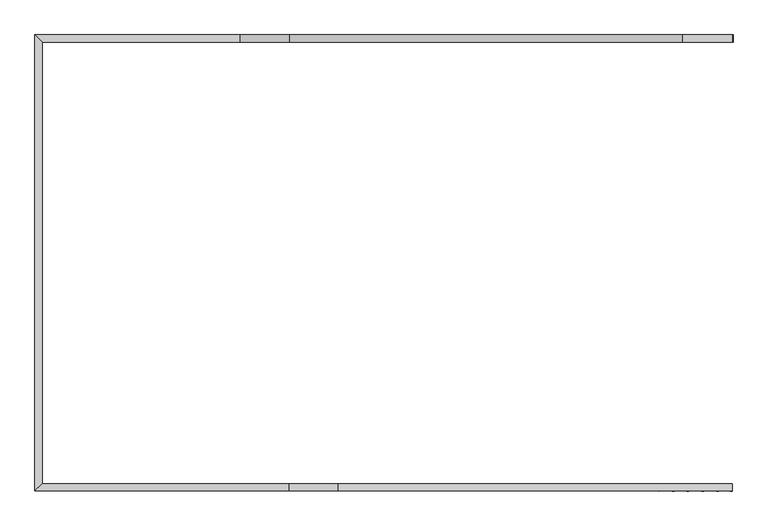
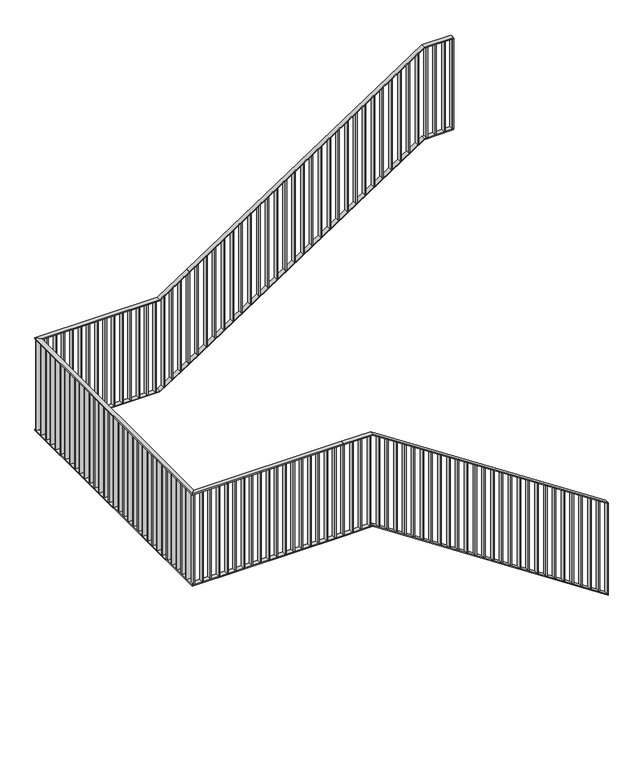
"""IFC4 building model written with IfcOpenShell, lengths in millimetres: railing geometry."""

from ifc_helpers import new_model, si_unit, frame, origin, place, context, project, spatial, polyline, outline, extrude, faceted_brep, source, transform, mapped, element, save


def railing_9ca5f06b(model_context):
    return source(origin(), model_context, "Body", "SolidModel", [
        faceted_brep([(14849.8504274, 7405.4, 1180.5555556), (14849.8504274, 7405.4, 1168.578147), (14849.8504274, 7445.4, 1168.578147), (14849.8504274, 7445.4, 1180.5555556), (12658.7393162, 7405.4, 2625.0), (12655.7397396, 7405.4, 2615.0), (12655.7397396, 7445.4, 2615.0), (12658.7393162, 7445.4, 2625.0), (12384.8504274, 7405.4, 2625.0), (12384.8504274, 7445.4, 2625.0), (12384.8504274, 7445.4, 2615.0), (12384.8504274, 7405.4, 2615.0)], [[[0, 1, 2, 3]], [[1, 0, 4, 5]], [[2, 1, 5, 6]], [[3, 2, 6, 7]], [[0, 3, 7, 4]], [[8, 9, 10, 11]], [[5, 4, 8, 11]], [[6, 5, 11, 10]], [[7, 6, 10, 9]], [[4, 7, 9, 8]]]),
        faceted_brep([(12384.8504274, 7405.4, 2625.0), (12384.8504274, 7405.4, 2615.0), (12384.8504274, 7445.4, 2615.0), (12384.8504274, 7445.4, 2625.0), (10971.3615385, 7405.4, 2625.0), (11011.3615385, 7445.4, 2625.0), (11011.3615385, 7445.4, 2615.0), (10971.3615385, 7405.4, 2615.0)], [[[0, 1, 2, 3]], [[4, 5, 6, 7]], [[1, 0, 4, 7]], [[2, 1, 7, 6]], [[3, 2, 6, 5]], [[0, 3, 5, 4]]]),
        faceted_brep([(10971.3615385, 7405.4, 2625.0), (10971.3615385, 7405.4, 2615.0), (11011.3615385, 7445.4, 2615.0), (11011.3615385, 7445.4, 2625.0), (10971.3615385, 9944.6, 2625.0), (11011.3615385, 9904.6, 2625.0), (11011.3615385, 9904.6, 2615.0), (10971.3615385, 9944.6, 2615.0)], [[[0, 1, 2, 3]], [[4, 5, 6, 7]], [[1, 0, 4, 7]], [[2, 1, 7, 6]], [[3, 2, 6, 5]], [[0, 3, 5, 4]]]),
        faceted_brep([(10971.3615385, 9944.6, 2625.0), (10971.3615385, 9944.6, 2615.0), (11011.3615385, 9904.6, 2615.0), (11011.3615385, 9904.6, 2625.0), (12110.9615385, 9944.6, 2625.0), (12113.9611151, 9944.6, 2615.0), (12113.9611151, 9904.6, 2615.0), (12110.9615385, 9904.6, 2625.0), (12384.8504274, 9944.6, 2805.5555556), (12384.8504274, 9904.6, 2805.5555556), (12390.3543659, 9904.6, 2797.2065041), (12390.3543659, 9944.6, 2797.2065041)], [[[0, 1, 2, 3]], [[1, 0, 4, 5]], [[2, 1, 5, 6]], [[3, 2, 6, 7]], [[0, 3, 7, 4]], [[8, 9, 10, 11]], [[5, 4, 8, 11]], [[6, 5, 11, 10]], [[7, 6, 10, 9]], [[4, 7, 9, 8]]]),
        faceted_brep([(12384.8504274, 9944.6, 2805.5555556), (12390.3543659, 9944.6, 2797.2065041), (12390.3543659, 9904.6, 2797.2065041), (12384.8504274, 9904.6, 2805.5555556), (14575.9615385, 9944.6, 4250.0), (14578.9611151, 9944.6, 4240.0), (14578.9611151, 9904.6, 4240.0), (14575.9615385, 9904.6, 4250.0), (14849.8504274, 9944.6, 4250.0), (14849.8504274, 9904.6, 4250.0), (14849.8504274, 9904.6, 4240.0), (14849.8504274, 9944.6, 4240.0)], [[[0, 1, 2, 3]], [[1, 0, 4, 5]], [[2, 1, 5, 6]], [[3, 2, 6, 7]], [[0, 3, 7, 4]], [[8, 9, 10, 11]], [[5, 4, 8, 11]], [[6, 5, 11, 10]], [[7, 6, 10, 9]], [[4, 7, 9, 8]]]),
        faceted_brep([(14849.8504274, 7405.4, 280.5555556), (14849.8504274, 7405.4, 268.578147), (14849.8504274, 7445.4, 268.578147), (14849.8504274, 7445.4, 280.5555556), (12658.7393162, 7405.4, 1725.0), (12655.7397396, 7405.4, 1715.0), (12655.7397396, 7445.4, 1715.0), (12658.7393162, 7445.4, 1725.0), (12384.8504274, 7405.4, 1725.0), (12384.8504274, 7445.4, 1725.0), (12384.8504274, 7445.4, 1715.0), (12384.8504274, 7405.4, 1715.0)], [[[0, 1, 2, 3]], [[1, 0, 4, 5]], [[2, 1, 5, 6]], [[3, 2, 6, 7]], [[0, 3, 7, 4]], [[8, 9, 10, 11]], [[5, 4, 8, 11]], [[6, 5, 11, 10]], [[7, 6, 10, 9]], [[4, 7, 9, 8]]]),
        faceted_brep([(12384.8504274, 7405.4, 1725.0), (12384.8504274, 7405.4, 1715.0), (12384.8504274, 7445.4, 1715.0), (12384.8504274, 7445.4, 1725.0), (10971.3615385, 7405.4, 1725.0), (11011.3615385, 7445.4, 1725.0), (11011.3615385, 7445.4, 1715.0), (10971.3615385, 7405.4, 1715.0)], [[[0, 1, 2, 3]], [[4, 5, 6, 7]], [[1, 0, 4, 7]], [[2, 1, 7, 6]], [[3, 2, 6, 5]], [[0, 3, 5, 4]]]),
        faceted_brep([(10971.3615385, 7405.4, 1725.0), (10971.3615385, 7405.4, 1715.0), (11011.3615385, 7445.4, 1715.0), (11011.3615385, 7445.4, 1725.0), (10971.3615385, 9944.6, 1725.0), (11011.3615385, 9904.6, 1725.0), (11011.3615385, 9904.6, 1715.0), (10971.3615385, 9944.6, 1715.0)], [[[0, 1, 2, 3]], [[4, 5, 6, 7]], [[1, 0, 4, 7]], [[2, 1, 7, 6]], [[3, 2, 6, 5]], [[0, 3, 5, 4]]]),
        faceted_brep([(10971.3615385, 9944.6, 1725.0), (10971.3615385, 9944.6, 1715.0), (11011.3615385, 9904.6, 1715.0), (11011.3615385, 9904.6, 1725.0), (12110.9615385, 9944.6, 1725.0), (12113.9611151, 9944.6, 1715.0), (12113.9611151, 9904.6, 1715.0), (12110.9615385, 9904.6, 1725.0), (12384.8504274, 9944.6, 1905.5555556), (12384.8504274, 9904.6, 1905.5555556), (12390.3543659, 9904.6, 1897.2065041), (12390.3543659, 9944.6, 1897.2065041)], [[[0, 1, 2, 3]], [[1, 0, 4, 5]], [[2, 1, 5, 6]], [[3, 2, 6, 7]], [[0, 3, 7, 4]], [[8, 9, 10, 11]], [[5, 4, 8, 11]], [[6, 5, 11, 10]], [[7, 6, 10, 9]], [[4, 7, 9, 8]]]),
        faceted_brep([(12384.8504274, 9944.6, 1905.5555556), (12390.3543659, 9944.6, 1897.2065041), (12390.3543659, 9904.6, 1897.2065041), (12384.8504274, 9904.6, 1905.5555556), (14575.9615385, 9944.6, 3350.0), (14578.9611151, 9944.6, 3340.0), (14578.9611151, 9904.6, 3340.0), (14575.9615385, 9904.6, 3350.0), (14849.8504274, 9944.6, 3350.0), (14849.8504274, 9904.6, 3350.0), (14849.8504274, 9904.6, 3340.0), (14849.8504274, 9944.6, 3340.0)], [[[0, 1, 2, 3]], [[1, 0, 4, 5]], [[2, 1, 5, 6]], [[3, 2, 6, 7]], [[0, 3, 7, 4]], [[8, 9, 10, 11]], [[5, 4, 8, 11]], [[6, 5, 11, 10]], [[7, 6, 10, 9]], [[4, 7, 9, 8]]]),
        extrude(outline(polyline([(14844.8504274, 9944.6), (14854.8504274, 9944.6), (14854.8504274, 9904.6), (14844.8504274, 9904.6), (14844.8504274, 9944.6)])), frame((0.0, 0.0, 3350.0), z_axis=(0.0, 0.0, 1.0), x_axis=(1.0, 0.0, 0.0)), (0.0, 0.0, 1.0), 890.0),
        extrude(outline(polyline([(14762.6837607, 9944.6), (14772.6837607, 9944.6), (14772.6837607, 9904.6), (14762.6837607, 9904.6), (14762.6837607, 9944.6)])), frame((0.0, 0.0, 3350.0), z_axis=(0.0, 0.0, 1.0), x_axis=(1.0, 0.0, 0.0)), (0.0, 0.0, 1.0), 890.0),
        extrude(outline(polyline([(14680.517094, 9944.6), (14690.517094, 9944.6), (14690.517094, 9904.6), (14680.517094, 9904.6), (14680.517094, 9944.6)])), frame((0.0, 0.0, 3350.0), z_axis=(0.0, 0.0, 1.0), x_axis=(1.0, 0.0, 0.0)), (0.0, 0.0, 1.0), 890.0),
        extrude(outline(polyline([(14598.3504274, 9944.6), (14608.3504274, 9944.6), (14608.3504274, 9904.6), (14598.3504274, 9904.6), (14598.3504274, 9944.6)])), frame((0.0, 0.0, 3350.0), z_axis=(0.0, 0.0, 1.0), x_axis=(1.0, 0.0, 0.0)), (0.0, 0.0, 1.0), 890.0),
        extrude(outline(polyline([(3310.5927428, 14516.1837607), (3317.1850349, 14526.1837607), (4207.1850349, 14526.1837607), (4200.5927428, 14516.1837607), (3310.5927428, 14516.1837607)])), frame((0.0, 9904.6, 0.0), z_axis=(0.0, 1.0, 0.0), x_axis=(0.0, 0.0, 1.0)), (0.0, 0.0, 1.0), 40.0),
        extrude(outline(polyline([(3256.4260762, 14434.017094), (3263.0183683, 14444.017094), (4153.0183683, 14444.017094), (4146.4260762, 14434.017094), (3256.4260762, 14434.017094)])), frame((0.0, 9904.6, 0.0), z_axis=(0.0, 1.0, 0.0), x_axis=(0.0, 0.0, 1.0)), (0.0, 0.0, 1.0), 40.0),
        extrude(outline(polyline([(3202.2594095, 14351.8504274), (3208.8517016, 14361.8504274), (4098.8517016, 14361.8504274), (4092.2594095, 14351.8504274), (3202.2594095, 14351.8504274)])), frame((0.0, 9904.6, 0.0), z_axis=(0.0, 1.0, 0.0), x_axis=(0.0, 0.0, 1.0)), (0.0, 0.0, 1.0), 40.0),
        extrude(outline(polyline([(3148.0927428, 14269.6837607), (3154.6850349, 14279.6837607), (4044.6850349, 14279.6837607), (4038.0927428, 14269.6837607), (3148.0927428, 14269.6837607)])), frame((0.0, 9904.6, 0.0), z_axis=(0.0, 1.0, 0.0), x_axis=(0.0, 0.0, 1.0)), (0.0, 0.0, 1.0), 40.0),
        extrude(outline(polyline([(3093.9260762, 14187.517094), (3100.5183683, 14197.517094), (3990.5183683, 14197.517094), (3983.9260762, 14187.517094), (3093.9260762, 14187.517094)])), frame((0.0, 9904.6, 0.0), z_axis=(0.0, 1.0, 0.0), x_axis=(0.0, 0.0, 1.0)), (0.0, 0.0, 1.0), 40.0),
        extrude(outline(polyline([(3039.7594095, 14105.3504274), (3046.3517016, 14115.3504274), (3936.3517016, 14115.3504274), (3929.7594095, 14105.3504274), (3039.7594095, 14105.3504274)])), frame((0.0, 9904.6, 0.0), z_axis=(0.0, 1.0, 0.0), x_axis=(0.0, 0.0, 1.0)), (0.0, 0.0, 1.0), 40.0),
        extrude(outline(polyline([(2985.5927428, 14023.1837607), (2992.1850349, 14033.1837607), (3882.1850349, 14033.1837607), (3875.5927428, 14023.1837607), (2985.5927428, 14023.1837607)])), frame((0.0, 9904.6, 0.0), z_axis=(0.0, 1.0, 0.0), x_axis=(0.0, 0.0, 1.0)), (0.0, 0.0, 1.0), 40.0),
        extrude(outline(polyline([(2931.4260762, 13941.017094), (2938.0183683, 13951.017094), (3828.0183683, 13951.017094), (3821.4260762, 13941.017094), (2931.4260762, 13941.017094)])), frame((0.0, 9904.6, 0.0), z_axis=(0.0, 1.0, 0.0), x_axis=(0.0, 0.0, 1.0)), (0.0, 0.0, 1.0), 40.0),
        extrude(outline(polyline([(2877.2594095, 13858.8504274), (2883.8517016, 13868.8504274), (3773.8517016, 13868.8504274), (3767.2594095, 13858.8504274), (2877.2594095, 13858.8504274)])), frame((0.0, 9904.6, 0.0), z_axis=(0.0, 1.0, 0.0), x_axis=(0.0, 0.0, 1.0)), (0.0, 0.0, 1.0), 40.0),
        extrude(outline(polyline([(2823.0927428, 13776.6837607), (2829.6850349, 13786.6837607), (3719.6850349, 13786.6837607), (3713.0927428, 13776.6837607), (2823.0927428, 13776.6837607)])), frame((0.0, 9904.6, 0.0), z_axis=(0.0, 1.0, 0.0), x_axis=(0.0, 0.0, 1.0)), (0.0, 0.0, 1.0), 40.0),
        extrude(outline(polyline([(2768.9260762, 13694.517094), (2775.5183683, 13704.517094), (3665.5183683, 13704.517094), (3658.9260762, 13694.517094), (2768.9260762, 13694.517094)])), frame((0.0, 9904.6, 0.0), z_axis=(0.0, 1.0, 0.0), x_axis=(0.0, 0.0, 1.0)), (0.0, 0.0, 1.0), 40.0),
        extrude(outline(polyline([(2714.7594095, 13612.3504274), (2721.3517016, 13622.3504274), (3611.3517016, 13622.3504274), (3604.7594095, 13612.3504274), (2714.7594095, 13612.3504274)])), frame((0.0, 9904.6, 0.0), z_axis=(0.0, 1.0, 0.0), x_axis=(0.0, 0.0, 1.0)), (0.0, 0.0, 1.0), 40.0),
        extrude(outline(polyline([(2660.5927428, 13530.1837607), (2667.1850349, 13540.1837607), (3557.1850349, 13540.1837607), (3550.5927428, 13530.1837607), (2660.5927428, 13530.1837607)])), frame((0.0, 9904.6, 0.0), z_axis=(0.0, 1.0, 0.0), x_axis=(0.0, 0.0, 1.0)), (0.0, 0.0, 1.0), 40.0),
        extrude(outline(polyline([(2606.4260762, 13448.017094), (2613.0183683, 13458.017094), (3503.0183683, 13458.017094), (3496.4260762, 13448.017094), (2606.4260762, 13448.017094)])), frame((0.0, 9904.6, 0.0), z_axis=(0.0, 1.0, 0.0), x_axis=(0.0, 0.0, 1.0)), (0.0, 0.0, 1.0), 40.0),
        extrude(outline(polyline([(2552.2594095, 13365.8504274), (2558.8517016, 13375.8504274), (3448.8517016, 13375.8504274), (3442.2594095, 13365.8504274), (2552.2594095, 13365.8504274)])), frame((0.0, 9904.6, 0.0), z_axis=(0.0, 1.0, 0.0), x_axis=(0.0, 0.0, 1.0)), (0.0, 0.0, 1.0), 40.0),
        extrude(outline(polyline([(2498.0927428, 13283.6837607), (2504.6850349, 13293.6837607), (3394.6850349, 13293.6837607), (3388.0927428, 13283.6837607), (2498.0927428, 13283.6837607)])), frame((0.0, 9904.6, 0.0), z_axis=(0.0, 1.0, 0.0), x_axis=(0.0, 0.0, 1.0)), (0.0, 0.0, 1.0), 40.0),
        extrude(outline(polyline([(2443.9260762, 13201.517094), (2450.5183683, 13211.517094), (3340.5183683, 13211.517094), (3333.9260762, 13201.517094), (2443.9260762, 13201.517094)])), frame((0.0, 9904.6, 0.0), z_axis=(0.0, 1.0, 0.0), x_axis=(0.0, 0.0, 1.0)), (0.0, 0.0, 1.0), 40.0),
        extrude(outline(polyline([(2389.7594095, 13119.3504274), (2396.3517016, 13129.3504274), (3286.3517016, 13129.3504274), (3279.7594095, 13119.3504274), (2389.7594095, 13119.3504274)])), frame((0.0, 9904.6, 0.0), z_axis=(0.0, 1.0, 0.0), x_axis=(0.0, 0.0, 1.0)), (0.0, 0.0, 1.0), 40.0),
        extrude(outline(polyline([(2335.5927428, 13037.1837607), (2342.1850349, 13047.1837607), (3232.1850349, 13047.1837607), (3225.5927428, 13037.1837607), (2335.5927428, 13037.1837607)])), frame((0.0, 9904.6, 0.0), z_axis=(0.0, 1.0, 0.0), x_axis=(0.0, 0.0, 1.0)), (0.0, 0.0, 1.0), 40.0),
        extrude(outline(polyline([(2281.4260762, 12955.017094), (2288.0183683, 12965.017094), (3178.0183683, 12965.017094), (3171.4260762, 12955.017094), (2281.4260762, 12955.017094)])), frame((0.0, 9904.6, 0.0), z_axis=(0.0, 1.0, 0.0), x_axis=(0.0, 0.0, 1.0)), (0.0, 0.0, 1.0), 40.0),
        extrude(outline(polyline([(2227.2594095, 12872.8504274), (2233.8517016, 12882.8504274), (3123.8517016, 12882.8504274), (3117.2594095, 12872.8504274), (2227.2594095, 12872.8504274)])), frame((0.0, 9904.6, 0.0), z_axis=(0.0, 1.0, 0.0), x_axis=(0.0, 0.0, 1.0)), (0.0, 0.0, 1.0), 40.0),
        extrude(outline(polyline([(2173.0927428, 12790.6837607), (2179.6850349, 12800.6837607), (3069.6850349, 12800.6837607), (3063.0927428, 12790.6837607), (2173.0927428, 12790.6837607)])), frame((0.0, 9904.6, 0.0), z_axis=(0.0, 1.0, 0.0), x_axis=(0.0, 0.0, 1.0)), (0.0, 0.0, 1.0), 40.0),
        extrude(outline(polyline([(2118.9260762, 12708.517094), (2125.5183683, 12718.517094), (3015.5183683, 12718.517094), (3008.9260762, 12708.517094), (2118.9260762, 12708.517094)])), frame((0.0, 9904.6, 0.0), z_axis=(0.0, 1.0, 0.0), x_axis=(0.0, 0.0, 1.0)), (0.0, 0.0, 1.0), 40.0),
        extrude(outline(polyline([(2064.7594095, 12626.3504274), (2071.3517016, 12636.3504274), (2961.3517016, 12636.3504274), (2954.7594095, 12626.3504274), (2064.7594095, 12626.3504274)])), frame((0.0, 9904.6, 0.0), z_axis=(0.0, 1.0, 0.0), x_axis=(0.0, 0.0, 1.0)), (0.0, 0.0, 1.0), 40.0),
        extrude(outline(polyline([(2010.5927428, 12544.1837607), (2017.1850349, 12554.1837607), (2907.1850349, 12554.1837607), (2900.5927428, 12544.1837607), (2010.5927428, 12544.1837607)])), frame((0.0, 9904.6, 0.0), z_axis=(0.0, 1.0, 0.0), x_axis=(0.0, 0.0, 1.0)), (0.0, 0.0, 1.0), 40.0),
        extrude(outline(polyline([(1956.4260762, 12462.017094), (1963.0183683, 12472.017094), (2853.0183683, 12472.017094), (2846.4260762, 12462.017094), (1956.4260762, 12462.017094)])), frame((0.0, 9904.6, 0.0), z_axis=(0.0, 1.0, 0.0), x_axis=(0.0, 0.0, 1.0)), (0.0, 0.0, 1.0), 40.0),
        extrude(outline(polyline([(1902.2594095, 12379.8504274), (1908.8517016, 12389.8504274), (2798.8517016, 12389.8504274), (2792.2594095, 12379.8504274), (1902.2594095, 12379.8504274)])), frame((0.0, 9904.6, 0.0), z_axis=(0.0, 1.0, 0.0), x_axis=(0.0, 0.0, 1.0)), (0.0, 0.0, 1.0), 40.0),
        extrude(outline(polyline([(1851.2244885, 12302.434378), (1857.8167806, 12312.434378), (2747.8167806, 12312.434378), (2741.2244885, 12302.434378), (1851.2244885, 12302.434378)])), frame((0.0, 9904.6, 0.0), z_axis=(0.0, 1.0, 0.0), x_axis=(0.0, 0.0, 1.0)), (0.0, 0.0, 1.0), 40.0),
        extrude(outline(polyline([(1800.1895675, 12225.0183286), (1806.7818596, 12235.0183286), (2696.7818596, 12235.0183286), (2690.1895675, 12225.0183286), (1800.1895675, 12225.0183286)])), frame((0.0, 9904.6, 0.0), z_axis=(0.0, 1.0, 0.0), x_axis=(0.0, 0.0, 1.0)), (0.0, 0.0, 1.0), 40.0),
        extrude(outline(polyline([(1749.1546465, 12147.6022792), (1755.7469386, 12157.6022792), (2645.7469386, 12157.6022792), (2639.1546465, 12147.6022792), (1749.1546465, 12147.6022792)])), frame((0.0, 9904.6, 0.0), z_axis=(0.0, 1.0, 0.0), x_axis=(0.0, 0.0, 1.0)), (0.0, 0.0, 1.0), 40.0),
        extrude(outline(polyline([(12070.1862298, 9944.6), (12080.1862298, 9944.6), (12080.1862298, 9904.6), (12070.1862298, 9904.6), (12070.1862298, 9944.6)])), frame((0.0, 0.0, 1725.0), z_axis=(0.0, 0.0, 1.0), x_axis=(1.0, 0.0, 0.0)), (0.0, 0.0, 1.0), 890.0),
        extrude(outline(polyline([(11992.7701804, 9944.6), (12002.7701804, 9944.6), (12002.7701804, 9904.6), (11992.7701804, 9904.6), (11992.7701804, 9944.6)])), frame((0.0, 0.0, 1725.0), z_axis=(0.0, 0.0, 1.0), x_axis=(1.0, 0.0, 0.0)), (0.0, 0.0, 1.0), 890.0),
        extrude(outline(polyline([(11915.3541311, 9944.6), (11925.3541311, 9944.6), (11925.3541311, 9904.6), (11915.3541311, 9904.6), (11915.3541311, 9944.6)])), frame((0.0, 0.0, 1725.0), z_axis=(0.0, 0.0, 1.0), x_axis=(1.0, 0.0, 0.0)), (0.0, 0.0, 1.0), 890.0),
        extrude(outline(polyline([(11837.9380817, 9944.6), (11847.9380817, 9944.6), (11847.9380817, 9904.6), (11837.9380817, 9904.6), (11837.9380817, 9944.6)])), frame((0.0, 0.0, 1725.0), z_axis=(0.0, 0.0, 1.0), x_axis=(1.0, 0.0, 0.0)), (0.0, 0.0, 1.0), 890.0),
        extrude(outline(polyline([(11760.5220323, 9944.6), (11770.5220323, 9944.6), (11770.5220323, 9904.6), (11760.5220323, 9904.6), (11760.5220323, 9944.6)])), frame((0.0, 0.0, 1725.0), z_axis=(0.0, 0.0, 1.0), x_axis=(1.0, 0.0, 0.0)), (0.0, 0.0, 1.0), 890.0),
        extrude(outline(polyline([(11683.1059829, 9944.6), (11693.1059829, 9944.6), (11693.1059829, 9904.6), (11683.1059829, 9904.6), (11683.1059829, 9944.6)])), frame((0.0, 0.0, 1725.0), z_axis=(0.0, 0.0, 1.0), x_axis=(1.0, 0.0, 0.0)), (0.0, 0.0, 1.0), 890.0),
        extrude(outline(polyline([(11605.6899335, 9944.6), (11615.6899335, 9944.6), (11615.6899335, 9904.6), (11605.6899335, 9904.6), (11605.6899335, 9944.6)])), frame((0.0, 0.0, 1725.0), z_axis=(0.0, 0.0, 1.0), x_axis=(1.0, 0.0, 0.0)), (0.0, 0.0, 1.0), 890.0),
        extrude(outline(polyline([(11528.2738841, 9944.6), (11538.2738841, 9944.6), (11538.2738841, 9904.6), (11528.2738841, 9904.6), (11528.2738841, 9944.6)])), frame((0.0, 0.0, 1725.0), z_axis=(0.0, 0.0, 1.0), x_axis=(1.0, 0.0, 0.0)), (0.0, 0.0, 1.0), 890.0),
        extrude(outline(polyline([(11450.8578348, 9944.6), (11460.8578348, 9944.6), (11460.8578348, 9904.6), (11450.8578348, 9904.6), (11450.8578348, 9944.6)])), frame((0.0, 0.0, 1725.0), z_axis=(0.0, 0.0, 1.0), x_axis=(1.0, 0.0, 0.0)), (0.0, 0.0, 1.0), 890.0),
        extrude(outline(polyline([(11373.4417854, 9944.6), (11383.4417854, 9944.6), (11383.4417854, 9904.6), (11373.4417854, 9904.6), (11373.4417854, 9944.6)])), frame((0.0, 0.0, 1725.0), z_axis=(0.0, 0.0, 1.0), x_axis=(1.0, 0.0, 0.0)), (0.0, 0.0, 1.0), 890.0),
        extrude(outline(polyline([(11296.025736, 9944.6), (11306.025736, 9944.6), (11306.025736, 9904.6), (11296.025736, 9904.6), (11296.025736, 9944.6)])), frame((0.0, 0.0, 1725.0), z_axis=(0.0, 0.0, 1.0), x_axis=(1.0, 0.0, 0.0)), (0.0, 0.0, 1.0), 890.0),
        extrude(outline(polyline([(11218.6096866, 9944.6), (11228.6096866, 9944.6), (11228.6096866, 9904.6), (11218.6096866, 9904.6), (11218.6096866, 9944.6)])), frame((0.0, 0.0, 1725.0), z_axis=(0.0, 0.0, 1.0), x_axis=(1.0, 0.0, 0.0)), (0.0, 0.0, 1.0), 890.0),
        extrude(outline(polyline([(11141.1936372, 9944.6), (11151.1936372, 9944.6), (11151.1936372, 9904.6), (11141.1936372, 9904.6), (11141.1936372, 9944.6)])), frame((0.0, 0.0, 1725.0), z_axis=(0.0, 0.0, 1.0), x_axis=(1.0, 0.0, 0.0)), (0.0, 0.0, 1.0), 890.0),
        extrude(outline(polyline([(11063.7775878, 9944.6), (11073.7775878, 9944.6), (11073.7775878, 9904.6), (11063.7775878, 9904.6), (11063.7775878, 9944.6)])), frame((0.0, 0.0, 1725.0), z_axis=(0.0, 0.0, 1.0), x_axis=(1.0, 0.0, 0.0)), (0.0, 0.0, 1.0), 890.0),
        extrude(outline(polyline([(10971.3615385, 9919.6), (10971.3615385, 9929.6), (11011.3615385, 9929.6), (11011.3615385, 9919.6), (10971.3615385, 9919.6)])), frame((0.0, 0.0, 1725.0), z_axis=(0.0, 0.0, 1.0), x_axis=(1.0, 0.0, 0.0)), (0.0, 0.0, 1.0), 890.0),
        extrude(outline(polyline([(10971.3615385, 9841.5), (10971.3615385, 9851.5), (11011.3615385, 9851.5), (11011.3615385, 9841.5), (10971.3615385, 9841.5)])), frame((0.0, 0.0, 1725.0), z_axis=(0.0, 0.0, 1.0), x_axis=(1.0, 0.0, 0.0)), (0.0, 0.0, 1.0), 890.0),
        extrude(outline(polyline([(10971.3615385, 9763.4), (10971.3615385, 9773.4), (11011.3615385, 9773.4), (11011.3615385, 9763.4), (10971.3615385, 9763.4)])), frame((0.0, 0.0, 1725.0), z_axis=(0.0, 0.0, 1.0), x_axis=(1.0, 0.0, 0.0)), (0.0, 0.0, 1.0), 890.0),
        extrude(outline(polyline([(10971.3615385, 9685.3), (10971.3615385, 9695.3), (11011.3615385, 9695.3), (11011.3615385, 9685.3), (10971.3615385, 9685.3)])), frame((0.0, 0.0, 1725.0), z_axis=(0.0, 0.0, 1.0), x_axis=(1.0, 0.0, 0.0)), (0.0, 0.0, 1.0), 890.0),
        extrude(outline(polyline([(10971.3615385, 9607.2), (10971.3615385, 9617.2), (11011.3615385, 9617.2), (11011.3615385, 9607.2), (10971.3615385, 9607.2)])), frame((0.0, 0.0, 1725.0), z_axis=(0.0, 0.0, 1.0), x_axis=(1.0, 0.0, 0.0)), (0.0, 0.0, 1.0), 890.0),
        extrude(outline(polyline([(10971.3615385, 9529.1), (10971.3615385, 9539.1), (11011.3615385, 9539.1), (11011.3615385, 9529.1), (10971.3615385, 9529.1)])), frame((0.0, 0.0, 1725.0), z_axis=(0.0, 0.0, 1.0), x_axis=(1.0, 0.0, 0.0)), (0.0, 0.0, 1.0), 890.0),
        extrude(outline(polyline([(10971.3615385, 9451.0), (10971.3615385, 9461.0), (11011.3615385, 9461.0), (11011.3615385, 9451.0), (10971.3615385, 9451.0)])), frame((0.0, 0.0, 1725.0), z_axis=(0.0, 0.0, 1.0), x_axis=(1.0, 0.0, 0.0)), (0.0, 0.0, 1.0), 890.0),
        extrude(outline(polyline([(10971.3615385, 9372.9), (10971.3615385, 9382.9), (11011.3615385, 9382.9), (11011.3615385, 9372.9), (10971.3615385, 9372.9)])), frame((0.0, 0.0, 1725.0), z_axis=(0.0, 0.0, 1.0), x_axis=(1.0, 0.0, 0.0)), (0.0, 0.0, 1.0), 890.0),
        extrude(outline(polyline([(10971.3615385, 9294.8), (10971.3615385, 9304.8), (11011.3615385, 9304.8), (11011.3615385, 9294.8), (10971.3615385, 9294.8)])), frame((0.0, 0.0, 1725.0), z_axis=(0.0, 0.0, 1.0), x_axis=(1.0, 0.0, 0.0)), (0.0, 0.0, 1.0), 890.0),
        extrude(outline(polyline([(10971.3615385, 9216.7), (10971.3615385, 9226.7), (11011.3615385, 9226.7), (11011.3615385, 9216.7), (10971.3615385, 9216.7)])), frame((0.0, 0.0, 1725.0), z_axis=(0.0, 0.0, 1.0), x_axis=(1.0, 0.0, 0.0)), (0.0, 0.0, 1.0), 890.0),
        extrude(outline(polyline([(10971.3615385, 9138.6), (10971.3615385, 9148.6), (11011.3615385, 9148.6), (11011.3615385, 9138.6), (10971.3615385, 9138.6)])), frame((0.0, 0.0, 1725.0), z_axis=(0.0, 0.0, 1.0), x_axis=(1.0, 0.0, 0.0)), (0.0, 0.0, 1.0), 890.0),
        extrude(outline(polyline([(10971.3615385, 9060.5), (10971.3615385, 9070.5), (11011.3615385, 9070.5), (11011.3615385, 9060.5), (10971.3615385, 9060.5)])), frame((0.0, 0.0, 1725.0), z_axis=(0.0, 0.0, 1.0), x_axis=(1.0, 0.0, 0.0)), (0.0, 0.0, 1.0), 890.0),
        extrude(outline(polyline([(10971.3615385, 8982.4), (10971.3615385, 8992.4), (11011.3615385, 8992.4), (11011.3615385, 8982.4), (10971.3615385, 8982.4)])), frame((0.0, 0.0, 1725.0), z_axis=(0.0, 0.0, 1.0), x_axis=(1.0, 0.0, 0.0)), (0.0, 0.0, 1.0), 890.0),
        extrude(outline(polyline([(10971.3615385, 8904.3), (10971.3615385, 8914.3), (11011.3615385, 8914.3), (11011.3615385, 8904.3), (10971.3615385, 8904.3)])), frame((0.0, 0.0, 1725.0), z_axis=(0.0, 0.0, 1.0), x_axis=(1.0, 0.0, 0.0)), (0.0, 0.0, 1.0), 890.0),
        extrude(outline(polyline([(10971.3615385, 8826.2), (10971.3615385, 8836.2), (11011.3615385, 8836.2), (11011.3615385, 8826.2), (10971.3615385, 8826.2)])), frame((0.0, 0.0, 1725.0), z_axis=(0.0, 0.0, 1.0), x_axis=(1.0, 0.0, 0.0)), (0.0, 0.0, 1.0), 890.0),
        extrude(outline(polyline([(10971.3615385, 8748.1), (10971.3615385, 8758.1), (11011.3615385, 8758.1), (11011.3615385, 8748.1), (10971.3615385, 8748.1)])), frame((0.0, 0.0, 1725.0), z_axis=(0.0, 0.0, 1.0), x_axis=(1.0, 0.0, 0.0)), (0.0, 0.0, 1.0), 890.0),
        extrude(outline(polyline([(10971.3615385, 8670.0), (10971.3615385, 8680.0), (11011.3615385, 8680.0), (11011.3615385, 8670.0), (10971.3615385, 8670.0)])), frame((0.0, 0.0, 1725.0), z_axis=(0.0, 0.0, 1.0), x_axis=(1.0, 0.0, 0.0)), (0.0, 0.0, 1.0), 890.0),
        extrude(outline(polyline([(10971.3615385, 8591.9), (10971.3615385, 8601.9), (11011.3615385, 8601.9), (11011.3615385, 8591.9), (10971.3615385, 8591.9)])), frame((0.0, 0.0, 1725.0), z_axis=(0.0, 0.0, 1.0), x_axis=(1.0, 0.0, 0.0)), (0.0, 0.0, 1.0), 890.0),
        extrude(outline(polyline([(10971.3615385, 8513.8), (10971.3615385, 8523.8), (11011.3615385, 8523.8), (11011.3615385, 8513.8), (10971.3615385, 8513.8)])), frame((0.0, 0.0, 1725.0), z_axis=(0.0, 0.0, 1.0), x_axis=(1.0, 0.0, 0.0)), (0.0, 0.0, 1.0), 890.0),
        extrude(outline(polyline([(10971.3615385, 8435.7), (10971.3615385, 8445.7), (11011.3615385, 8445.7), (11011.3615385, 8435.7), (10971.3615385, 8435.7)])), frame((0.0, 0.0, 1725.0), z_axis=(0.0, 0.0, 1.0), x_axis=(1.0, 0.0, 0.0)), (0.0, 0.0, 1.0), 890.0),
        extrude(outline(polyline([(10971.3615385, 8357.6), (10971.3615385, 8367.6), (11011.3615385, 8367.6), (11011.3615385, 8357.6), (10971.3615385, 8357.6)])), frame((0.0, 0.0, 1725.0), z_axis=(0.0, 0.0, 1.0), x_axis=(1.0, 0.0, 0.0)), (0.0, 0.0, 1.0), 890.0),
        extrude(outline(polyline([(10971.3615385, 8279.5), (10971.3615385, 8289.5), (11011.3615385, 8289.5), (11011.3615385, 8279.5), (10971.3615385, 8279.5)])), frame((0.0, 0.0, 1725.0), z_axis=(0.0, 0.0, 1.0), x_axis=(1.0, 0.0, 0.0)), (0.0, 0.0, 1.0), 890.0),
        extrude(outline(polyline([(10971.3615385, 8201.4), (10971.3615385, 8211.4), (11011.3615385, 8211.4), (11011.3615385, 8201.4), (10971.3615385, 8201.4)])), frame((0.0, 0.0, 1725.0), z_axis=(0.0, 0.0, 1.0), x_axis=(1.0, 0.0, 0.0)), (0.0, 0.0, 1.0), 890.0),
        extrude(outline(polyline([(10971.3615385, 8123.3), (10971.3615385, 8133.3), (11011.3615385, 8133.3), (11011.3615385, 8123.3), (10971.3615385, 8123.3)])), frame((0.0, 0.0, 1725.0), z_axis=(0.0, 0.0, 1.0), x_axis=(1.0, 0.0, 0.0)), (0.0, 0.0, 1.0), 890.0),
        extrude(outline(polyline([(10971.3615385, 8045.2), (10971.3615385, 8055.2), (11011.3615385, 8055.2), (11011.3615385, 8045.2), (10971.3615385, 8045.2)])), frame((0.0, 0.0, 1725.0), z_axis=(0.0, 0.0, 1.0), x_axis=(1.0, 0.0, 0.0)), (0.0, 0.0, 1.0), 890.0),
        extrude(outline(polyline([(10971.3615385, 7967.1), (10971.3615385, 7977.1), (11011.3615385, 7977.1), (11011.3615385, 7967.1), (10971.3615385, 7967.1)])), frame((0.0, 0.0, 1725.0), z_axis=(0.0, 0.0, 1.0), x_axis=(1.0, 0.0, 0.0)), (0.0, 0.0, 1.0), 890.0),
        extrude(outline(polyline([(10971.3615385, 7889.0), (10971.3615385, 7899.0), (11011.3615385, 7899.0), (11011.3615385, 7889.0), (10971.3615385, 7889.0)])), frame((0.0, 0.0, 1725.0), z_axis=(0.0, 0.0, 1.0), x_axis=(1.0, 0.0, 0.0)), (0.0, 0.0, 1.0), 890.0),
        extrude(outline(polyline([(10971.3615385, 7810.9), (10971.3615385, 7820.9), (11011.3615385, 7820.9), (11011.3615385, 7810.9), (10971.3615385, 7810.9)])), frame((0.0, 0.0, 1725.0), z_axis=(0.0, 0.0, 1.0), x_axis=(1.0, 0.0, 0.0)), (0.0, 0.0, 1.0), 890.0),
        extrude(outline(polyline([(10971.3615385, 7732.8), (10971.3615385, 7742.8), (11011.3615385, 7742.8), (11011.3615385, 7732.8), (10971.3615385, 7732.8)])), frame((0.0, 0.0, 1725.0), z_axis=(0.0, 0.0, 1.0), x_axis=(1.0, 0.0, 0.0)), (0.0, 0.0, 1.0), 890.0),
        extrude(outline(polyline([(10971.3615385, 7654.7), (10971.3615385, 7664.7), (11011.3615385, 7664.7), (11011.3615385, 7654.7), (10971.3615385, 7654.7)])), frame((0.0, 0.0, 1725.0), z_axis=(0.0, 0.0, 1.0), x_axis=(1.0, 0.0, 0.0)), (0.0, 0.0, 1.0), 890.0),
        extrude(outline(polyline([(10971.3615385, 7576.6), (10971.3615385, 7586.6), (11011.3615385, 7586.6), (11011.3615385, 7576.6), (10971.3615385, 7576.6)])), frame((0.0, 0.0, 1725.0), z_axis=(0.0, 0.0, 1.0), x_axis=(1.0, 0.0, 0.0)), (0.0, 0.0, 1.0), 890.0),
        extrude(outline(polyline([(10971.3615385, 7498.5), (10971.3615385, 7508.5), (11011.3615385, 7508.5), (11011.3615385, 7498.5), (10971.3615385, 7498.5)])), frame((0.0, 0.0, 1725.0), z_axis=(0.0, 0.0, 1.0), x_axis=(1.0, 0.0, 0.0)), (0.0, 0.0, 1.0), 890.0),
        extrude(outline(polyline([(10996.3615385, 7405.4), (10986.3615385, 7405.4), (10986.3615385, 7445.4), (10996.3615385, 7445.4), (10996.3615385, 7405.4)])), frame((0.0, 0.0, 1725.0), z_axis=(0.0, 0.0, 1.0), x_axis=(1.0, 0.0, 0.0)), (0.0, 0.0, 1.0), 890.0),
        extrude(outline(polyline([(11073.7775878, 7405.4), (11063.7775878, 7405.4), (11063.7775878, 7445.4), (11073.7775878, 7445.4), (11073.7775878, 7405.4)])), frame((0.0, 0.0, 1725.0), z_axis=(0.0, 0.0, 1.0), x_axis=(1.0, 0.0, 0.0)), (0.0, 0.0, 1.0), 890.0),
        extrude(outline(polyline([(11151.1936372, 7405.4), (11141.1936372, 7405.4), (11141.1936372, 7445.4), (11151.1936372, 7445.4), (11151.1936372, 7405.4)])), frame((0.0, 0.0, 1725.0), z_axis=(0.0, 0.0, 1.0), x_axis=(1.0, 0.0, 0.0)), (0.0, 0.0, 1.0), 890.0),
        extrude(outline(polyline([(11228.6096866, 7405.4), (11218.6096866, 7405.4), (11218.6096866, 7445.4), (11228.6096866, 7445.4), (11228.6096866, 7405.4)])), frame((0.0, 0.0, 1725.0), z_axis=(0.0, 0.0, 1.0), x_axis=(1.0, 0.0, 0.0)), (0.0, 0.0, 1.0), 890.0),
        extrude(outline(polyline([(11306.025736, 7405.4), (11296.025736, 7405.4), (11296.025736, 7445.4), (11306.025736, 7445.4), (11306.025736, 7405.4)])), frame((0.0, 0.0, 1725.0), z_axis=(0.0, 0.0, 1.0), x_axis=(1.0, 0.0, 0.0)), (0.0, 0.0, 1.0), 890.0),
        extrude(outline(polyline([(11383.4417854, 7405.4), (11373.4417854, 7405.4), (11373.4417854, 7445.4), (11383.4417854, 7445.4), (11383.4417854, 7405.4)])), frame((0.0, 0.0, 1725.0), z_axis=(0.0, 0.0, 1.0), x_axis=(1.0, 0.0, 0.0)), (0.0, 0.0, 1.0), 890.0),
        extrude(outline(polyline([(11460.8578348, 7405.4), (11450.8578348, 7405.4), (11450.8578348, 7445.4), (11460.8578348, 7445.4), (11460.8578348, 7405.4)])), frame((0.0, 0.0, 1725.0), z_axis=(0.0, 0.0, 1.0), x_axis=(1.0, 0.0, 0.0)), (0.0, 0.0, 1.0), 890.0),
        extrude(outline(polyline([(11538.2738841, 7405.4), (11528.2738841, 7405.4), (11528.2738841, 7445.4), (11538.2738841, 7445.4), (11538.2738841, 7405.4)])), frame((0.0, 0.0, 1725.0), z_axis=(0.0, 0.0, 1.0), x_axis=(1.0, 0.0, 0.0)), (0.0, 0.0, 1.0), 890.0),
        extrude(outline(polyline([(11615.6899335, 7405.4), (11605.6899335, 7405.4), (11605.6899335, 7445.4), (11615.6899335, 7445.4), (11615.6899335, 7405.4)])), frame((0.0, 0.0, 1725.0), z_axis=(0.0, 0.0, 1.0), x_axis=(1.0, 0.0, 0.0)), (0.0, 0.0, 1.0), 890.0),
        extrude(outline(polyline([(11693.1059829, 7405.4), (11683.1059829, 7405.4), (11683.1059829, 7445.4), (11693.1059829, 7445.4), (11693.1059829, 7405.4)])), frame((0.0, 0.0, 1725.0), z_axis=(0.0, 0.0, 1.0), x_axis=(1.0, 0.0, 0.0)), (0.0, 0.0, 1.0), 890.0),
        extrude(outline(polyline([(11770.5220323, 7405.4), (11760.5220323, 7405.4), (11760.5220323, 7445.4), (11770.5220323, 7445.4), (11770.5220323, 7405.4)])), frame((0.0, 0.0, 1725.0), z_axis=(0.0, 0.0, 1.0), x_axis=(1.0, 0.0, 0.0)), (0.0, 0.0, 1.0), 890.0),
        extrude(outline(polyline([(11847.9380817, 7405.4), (11837.9380817, 7405.4), (11837.9380817, 7445.4), (11847.9380817, 7445.4), (11847.9380817, 7405.4)])), frame((0.0, 0.0, 1725.0), z_axis=(0.0, 0.0, 1.0), x_axis=(1.0, 0.0, 0.0)), (0.0, 0.0, 1.0), 890.0),
        extrude(outline(polyline([(11925.3541311, 7405.4), (11915.3541311, 7405.4), (11915.3541311, 7445.4), (11925.3541311, 7445.4), (11925.3541311, 7405.4)])), frame((0.0, 0.0, 1725.0), z_axis=(0.0, 0.0, 1.0), x_axis=(1.0, 0.0, 0.0)), (0.0, 0.0, 1.0), 890.0),
        extrude(outline(polyline([(12002.7701804, 7405.4), (11992.7701804, 7405.4), (11992.7701804, 7445.4), (12002.7701804, 7445.4), (12002.7701804, 7405.4)])), frame((0.0, 0.0, 1725.0), z_axis=(0.0, 0.0, 1.0), x_axis=(1.0, 0.0, 0.0)), (0.0, 0.0, 1.0), 890.0),
        extrude(outline(polyline([(12080.1862298, 7405.4), (12070.1862298, 7405.4), (12070.1862298, 7445.4), (12080.1862298, 7445.4), (12080.1862298, 7405.4)])), frame((0.0, 0.0, 1725.0), z_axis=(0.0, 0.0, 1.0), x_axis=(1.0, 0.0, 0.0)), (0.0, 0.0, 1.0), 890.0),
        extrude(outline(polyline([(12157.6022792, 7405.4), (12147.6022792, 7405.4), (12147.6022792, 7445.4), (12157.6022792, 7445.4), (12157.6022792, 7405.4)])), frame((0.0, 0.0, 1725.0), z_axis=(0.0, 0.0, 1.0), x_axis=(1.0, 0.0, 0.0)), (0.0, 0.0, 1.0), 890.0),
        extrude(outline(polyline([(12235.0183286, 7405.4), (12225.0183286, 7405.4), (12225.0183286, 7445.4), (12235.0183286, 7445.4), (12235.0183286, 7405.4)])), frame((0.0, 0.0, 1725.0), z_axis=(0.0, 0.0, 1.0), x_axis=(1.0, 0.0, 0.0)), (0.0, 0.0, 1.0), 890.0),
        extrude(outline(polyline([(12312.434378, 7405.4), (12302.434378, 7405.4), (12302.434378, 7445.4), (12312.434378, 7445.4), (12312.434378, 7405.4)])), frame((0.0, 0.0, 1725.0), z_axis=(0.0, 0.0, 1.0), x_axis=(1.0, 0.0, 0.0)), (0.0, 0.0, 1.0), 890.0),
        extrude(outline(polyline([(12389.8504274, 7405.4), (12379.8504274, 7405.4), (12379.8504274, 7445.4), (12389.8504274, 7445.4), (12389.8504274, 7405.4)])), frame((0.0, 0.0, 1725.0), z_axis=(0.0, 0.0, 1.0), x_axis=(1.0, 0.0, 0.0)), (0.0, 0.0, 1.0), 890.0),
        extrude(outline(polyline([(12472.017094, 7405.4), (12462.017094, 7405.4), (12462.017094, 7445.4), (12472.017094, 7445.4), (12472.017094, 7405.4)])), frame((0.0, 0.0, 1725.0), z_axis=(0.0, 0.0, 1.0), x_axis=(1.0, 0.0, 0.0)), (0.0, 0.0, 1.0), 890.0),
        extrude(outline(polyline([(12554.1837607, 7405.4), (12544.1837607, 7405.4), (12544.1837607, 7445.4), (12554.1837607, 7445.4), (12554.1837607, 7405.4)])), frame((0.0, 0.0, 1725.0), z_axis=(0.0, 0.0, 1.0), x_axis=(1.0, 0.0, 0.0)), (0.0, 0.0, 1.0), 890.0),
        extrude(outline(polyline([(12636.3504274, 7405.4), (12626.3504274, 7405.4), (12626.3504274, 7445.4), (12636.3504274, 7445.4), (12636.3504274, 7405.4)])), frame((0.0, 0.0, 1725.0), z_axis=(0.0, 0.0, 1.0), x_axis=(1.0, 0.0, 0.0)), (0.0, 0.0, 1.0), 890.0),
        extrude(outline(polyline([(2575.5927428, 12718.517094), (2582.1850349, 12708.517094), (1692.1850349, 12708.517094), (1685.5927428, 12718.517094), (2575.5927428, 12718.517094)])), frame((0.0, 7405.4, 0.0), z_axis=(0.0, 1.0, 0.0), x_axis=(0.0, 0.0, 1.0)), (0.0, 0.0, 1.0), 40.0),
        extrude(outline(polyline([(2521.4260762, 12800.6837607), (2528.0183683, 12790.6837607), (1638.0183683, 12790.6837607), (1631.4260762, 12800.6837607), (2521.4260762, 12800.6837607)])), frame((0.0, 7405.4, 0.0), z_axis=(0.0, 1.0, 0.0), x_axis=(0.0, 0.0, 1.0)), (0.0, 0.0, 1.0), 40.0),
        extrude(outline(polyline([(2467.2594095, 12882.8504274), (2473.8517016, 12872.8504274), (1583.8517016, 12872.8504274), (1577.2594095, 12882.8504274), (2467.2594095, 12882.8504274)])), frame((0.0, 7405.4, 0.0), z_axis=(0.0, 1.0, 0.0), x_axis=(0.0, 0.0, 1.0)), (0.0, 0.0, 1.0), 40.0),
        extrude(outline(polyline([(2413.0927428, 12965.017094), (2419.6850349, 12955.017094), (1529.6850349, 12955.017094), (1523.0927428, 12965.017094), (2413.0927428, 12965.017094)])), frame((0.0, 7405.4, 0.0), z_axis=(0.0, 1.0, 0.0), x_axis=(0.0, 0.0, 1.0)), (0.0, 0.0, 1.0), 40.0),
        extrude(outline(polyline([(2358.9260762, 13047.1837607), (2365.5183683, 13037.1837607), (1475.5183683, 13037.1837607), (1468.9260762, 13047.1837607), (2358.9260762, 13047.1837607)])), frame((0.0, 7405.4, 0.0), z_axis=(0.0, 1.0, 0.0), x_axis=(0.0, 0.0, 1.0)), (0.0, 0.0, 1.0), 40.0),
        extrude(outline(polyline([(2304.7594095, 13129.3504274), (2311.3517016, 13119.3504274), (1421.3517016, 13119.3504274), (1414.7594095, 13129.3504274), (2304.7594095, 13129.3504274)])), frame((0.0, 7405.4, 0.0), z_axis=(0.0, 1.0, 0.0), x_axis=(0.0, 0.0, 1.0)), (0.0, 0.0, 1.0), 40.0),
        extrude(outline(polyline([(2250.5927428, 13211.517094), (2257.1850349, 13201.517094), (1367.1850349, 13201.517094), (1360.5927428, 13211.517094), (2250.5927428, 13211.517094)])), frame((0.0, 7405.4, 0.0), z_axis=(0.0, 1.0, 0.0), x_axis=(0.0, 0.0, 1.0)), (0.0, 0.0, 1.0), 40.0),
        extrude(outline(polyline([(2196.4260762, 13293.6837607), (2203.0183683, 13283.6837607), (1313.0183683, 13283.6837607), (1306.4260762, 13293.6837607), (2196.4260762, 13293.6837607)])), frame((0.0, 7405.4, 0.0), z_axis=(0.0, 1.0, 0.0), x_axis=(0.0, 0.0, 1.0)), (0.0, 0.0, 1.0), 40.0),
        extrude(outline(polyline([(2142.2594095, 13375.8504274), (2148.8517016, 13365.8504274), (1258.8517016, 13365.8504274), (1252.2594095, 13375.8504274), (2142.2594095, 13375.8504274)])), frame((0.0, 7405.4, 0.0), z_axis=(0.0, 1.0, 0.0), x_axis=(0.0, 0.0, 1.0)), (0.0, 0.0, 1.0), 40.0),
        extrude(outline(polyline([(2088.0927428, 13458.017094), (2094.6850349, 13448.017094), (1204.6850349, 13448.017094), (1198.0927428, 13458.017094), (2088.0927428, 13458.017094)])), frame((0.0, 7405.4, 0.0), z_axis=(0.0, 1.0, 0.0), x_axis=(0.0, 0.0, 1.0)), (0.0, 0.0, 1.0), 40.0),
        extrude(outline(polyline([(2033.9260762, 13540.1837607), (2040.5183683, 13530.1837607), (1150.5183683, 13530.1837607), (1143.9260762, 13540.1837607), (2033.9260762, 13540.1837607)])), frame((0.0, 7405.4, 0.0), z_axis=(0.0, 1.0, 0.0), x_axis=(0.0, 0.0, 1.0)), (0.0, 0.0, 1.0), 40.0),
        extrude(outline(polyline([(1979.7594095, 13622.3504274), (1986.3517016, 13612.3504274), (1096.3517016, 13612.3504274), (1089.7594095, 13622.3504274), (1979.7594095, 13622.3504274)])), frame((0.0, 7405.4, 0.0), z_axis=(0.0, 1.0, 0.0), x_axis=(0.0, 0.0, 1.0)), (0.0, 0.0, 1.0), 40.0),
        extrude(outline(polyline([(1925.5927428, 13704.517094), (1932.1850349, 13694.517094), (1042.1850349, 13694.517094), (1035.5927428, 13704.517094), (1925.5927428, 13704.517094)])), frame((0.0, 7405.4, 0.0), z_axis=(0.0, 1.0, 0.0), x_axis=(0.0, 0.0, 1.0)), (0.0, 0.0, 1.0), 40.0),
        extrude(outline(polyline([(1871.4260762, 13786.6837607), (1878.0183683, 13776.6837607), (988.0183683, 13776.6837607), (981.4260762, 13786.6837607), (1871.4260762, 13786.6837607)])), frame((0.0, 7405.4, 0.0), z_axis=(0.0, 1.0, 0.0), x_axis=(0.0, 0.0, 1.0)), (0.0, 0.0, 1.0), 40.0),
        extrude(outline(polyline([(1817.2594095, 13868.8504274), (1823.8517016, 13858.8504274), (933.8517016, 13858.8504274), (927.2594095, 13868.8504274), (1817.2594095, 13868.8504274)])), frame((0.0, 7405.4, 0.0), z_axis=(0.0, 1.0, 0.0), x_axis=(0.0, 0.0, 1.0)), (0.0, 0.0, 1.0), 40.0),
        extrude(outline(polyline([(1763.0927428, 13951.017094), (1769.6850349, 13941.017094), (879.6850349, 13941.017094), (873.0927428, 13951.017094), (1763.0927428, 13951.017094)])), frame((0.0, 7405.4, 0.0), z_axis=(0.0, 1.0, 0.0), x_axis=(0.0, 0.0, 1.0)), (0.0, 0.0, 1.0), 40.0),
        extrude(outline(polyline([(1708.9260762, 14033.1837607), (1715.5183683, 14023.1837607), (825.5183683, 14023.1837607), (818.9260762, 14033.1837607), (1708.9260762, 14033.1837607)])), frame((0.0, 7405.4, 0.0), z_axis=(0.0, 1.0, 0.0), x_axis=(0.0, 0.0, 1.0)), (0.0, 0.0, 1.0), 40.0),
        extrude(outline(polyline([(1654.7594095, 14115.3504274), (1661.3517016, 14105.3504274), (771.3517016, 14105.3504274), (764.7594095, 14115.3504274), (1654.7594095, 14115.3504274)])), frame((0.0, 7405.4, 0.0), z_axis=(0.0, 1.0, 0.0), x_axis=(0.0, 0.0, 1.0)), (0.0, 0.0, 1.0), 40.0),
        extrude(outline(polyline([(1600.5927428, 14197.517094), (1607.1850349, 14187.517094), (717.1850349, 14187.517094), (710.5927428, 14197.517094), (1600.5927428, 14197.517094)])), frame((0.0, 7405.4, 0.0), z_axis=(0.0, 1.0, 0.0), x_axis=(0.0, 0.0, 1.0)), (0.0, 0.0, 1.0), 40.0),
        extrude(outline(polyline([(1546.4260762, 14279.6837607), (1553.0183683, 14269.6837607), (663.0183683, 14269.6837607), (656.4260762, 14279.6837607), (1546.4260762, 14279.6837607)])), frame((0.0, 7405.4, 0.0), z_axis=(0.0, 1.0, 0.0), x_axis=(0.0, 0.0, 1.0)), (0.0, 0.0, 1.0), 40.0),
        extrude(outline(polyline([(1492.2594095, 14361.8504274), (1498.8517016, 14351.8504274), (608.8517016, 14351.8504274), (602.2594095, 14361.8504274), (1492.2594095, 14361.8504274)])), frame((0.0, 7405.4, 0.0), z_axis=(0.0, 1.0, 0.0), x_axis=(0.0, 0.0, 1.0)), (0.0, 0.0, 1.0), 40.0),
        extrude(outline(polyline([(1438.0927428, 14444.017094), (1444.6850349, 14434.017094), (554.6850349, 14434.017094), (548.0927428, 14444.017094), (1438.0927428, 14444.017094)])), frame((0.0, 7405.4, 0.0), z_axis=(0.0, 1.0, 0.0), x_axis=(0.0, 0.0, 1.0)), (0.0, 0.0, 1.0), 40.0),
        extrude(outline(polyline([(1383.9260762, 14526.1837607), (1390.5183683, 14516.1837607), (500.5183683, 14516.1837607), (493.9260762, 14526.1837607), (1383.9260762, 14526.1837607)])), frame((0.0, 7405.4, 0.0), z_axis=(0.0, 1.0, 0.0), x_axis=(0.0, 0.0, 1.0)), (0.0, 0.0, 1.0), 40.0),
        extrude(outline(polyline([(1329.7594095, 14608.3504274), (1336.3517016, 14598.3504274), (446.3517016, 14598.3504274), (439.7594095, 14608.3504274), (1329.7594095, 14608.3504274)])), frame((0.0, 7405.4, 0.0), z_axis=(0.0, 1.0, 0.0), x_axis=(0.0, 0.0, 1.0)), (0.0, 0.0, 1.0), 40.0),
        extrude(outline(polyline([(1275.5927428, 14690.517094), (1282.1850349, 14680.517094), (392.1850349, 14680.517094), (385.5927428, 14690.517094), (1275.5927428, 14690.517094)])), frame((0.0, 7405.4, 0.0), z_axis=(0.0, 1.0, 0.0), x_axis=(0.0, 0.0, 1.0)), (0.0, 0.0, 1.0), 40.0),
        extrude(outline(polyline([(1221.4260762, 14772.6837607), (1228.0183683, 14762.6837607), (338.0183683, 14762.6837607), (331.4260762, 14772.6837607), (1221.4260762, 14772.6837607)])), frame((0.0, 7405.4, 0.0), z_axis=(0.0, 1.0, 0.0), x_axis=(0.0, 0.0, 1.0)), (0.0, 0.0, 1.0), 40.0),
        extrude(outline(polyline([(14839.8504274, 9944.6), (14849.8504274, 9944.6), (14849.8504274, 9904.6), (14839.8504274, 9904.6), (14839.8504274, 9944.6)])), frame((0.0, 0.0, 3350.0), z_axis=(0.0, 0.0, 1.0), x_axis=(1.0, 0.0, 0.0)), (0.0, 0.0, 1.0), 890.0),
        extrude(outline(polyline([(1170.5555556, 14849.8504274), (1177.1478476, 14839.8504274), (287.1478476, 14839.8504274), (280.5555556, 14849.8504274), (1170.5555556, 14849.8504274)])), frame((0.0, 7405.4, 0.0), z_axis=(0.0, 1.0, 0.0), x_axis=(0.0, 0.0, 1.0)), (0.0, 0.0, 1.0), 40.0),
    ])


if __name__ == "__main__":
    model = new_model("IFC4")
    model_context = context("Model", 3, world=origin())
    ifc_project = project(units=[si_unit("LENGTHUNIT", "METRE", prefix="MILLI")], contexts=[model_context])
    site = spatial("IfcSite", under=ifc_project)
    building = spatial("IfcBuilding", under=site)
    placement = place(None, origin())
    railing_shape = railing_9ca5f06b(model_context)
    element("IfcRailing", 1, at=placement, inside=building, context=model_context, shape_type="MappedRepresentation", body=[
        mapped(railing_shape, transform((0.0, 0.0, 0.0), x_axis=(1.0, 0.0, 0.0), y_axis=(0.0, 1.0, 0.0), z_axis=(0.0, 0.0, 1.0))),
    ])
    save(model, "model.ifc")
